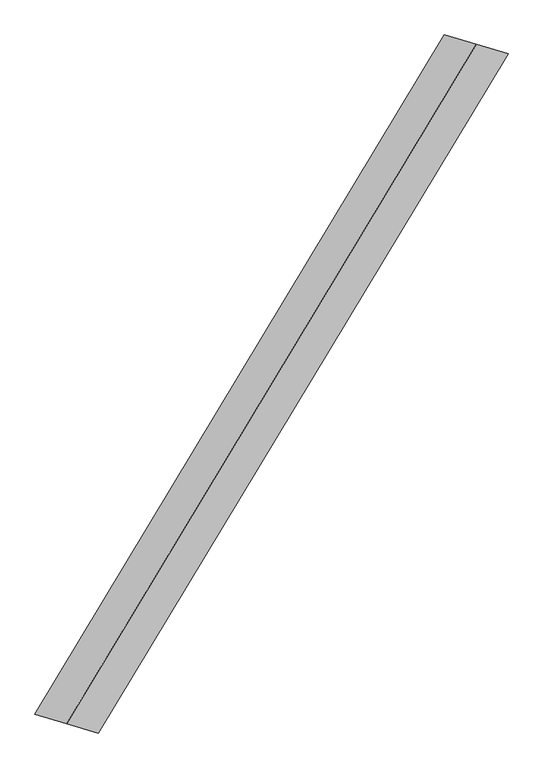
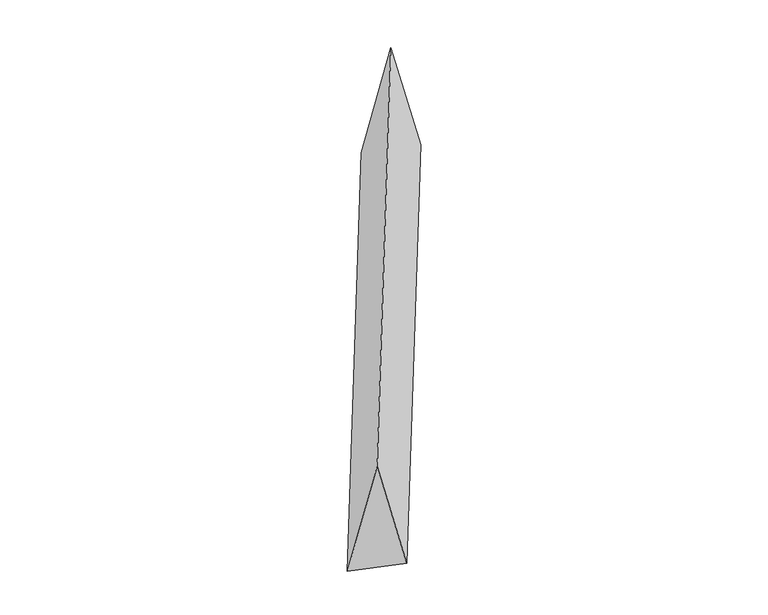
"""IFC4 building model written with IfcOpenShell, lengths in millimetres: proxy geometry."""

from ifc_helpers import new_model, si_unit, origin, place, context, project, spatial, faceted_brep, source, transform, mapped, element, save


def generic_models_a93ff653(model_context):
    return source(origin(), model_context, "Body", "Brep", [
        faceted_brep([(-1067.138236, -1770.2714615, 700.0), (-901.4811761, -1819.184131, 0.0), (1232.7952959, 1721.358792, 0.0), (1067.138236, 1770.2714615, 700.0), (-1232.7952959, -1721.358792, 0.0), (901.4811761, 1819.184131, 0.0)], [[[0, 1, 2, 3]], [[1, 4, 5, 2]], [[4, 0, 3, 5]], [[3, 2, 5]], [[0, 4, 1]]]),
    ])


if __name__ == "__main__":
    model = new_model("IFC4")
    model_context = context("Model", 3, world=origin())
    ifc_project = project(units=[si_unit("LENGTHUNIT", "METRE", prefix="MILLI")], contexts=[model_context])
    site = spatial("IfcSite", under=ifc_project)
    building = spatial("IfcBuilding", under=site)
    placement = place(None, origin())
    generic_models_shape = generic_models_a93ff653(model_context)
    element("IfcBuildingElementProxy", 1, Name="Generic Models", at=placement, inside=building, context=model_context, shape_type="MappedRepresentation", body=[
        mapped(generic_models_shape, transform((0.0, 0.0, 0.0), x_axis=(1.0, 0.0, 0.0), y_axis=(0.0, 1.0, 0.0), z_axis=(0.0, 0.0, 1.0))),
    ])
    save(model, "model.ifc")
